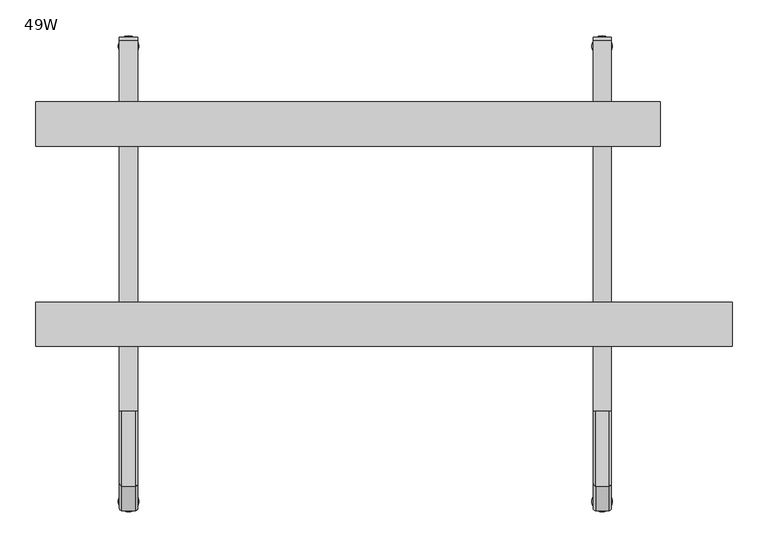
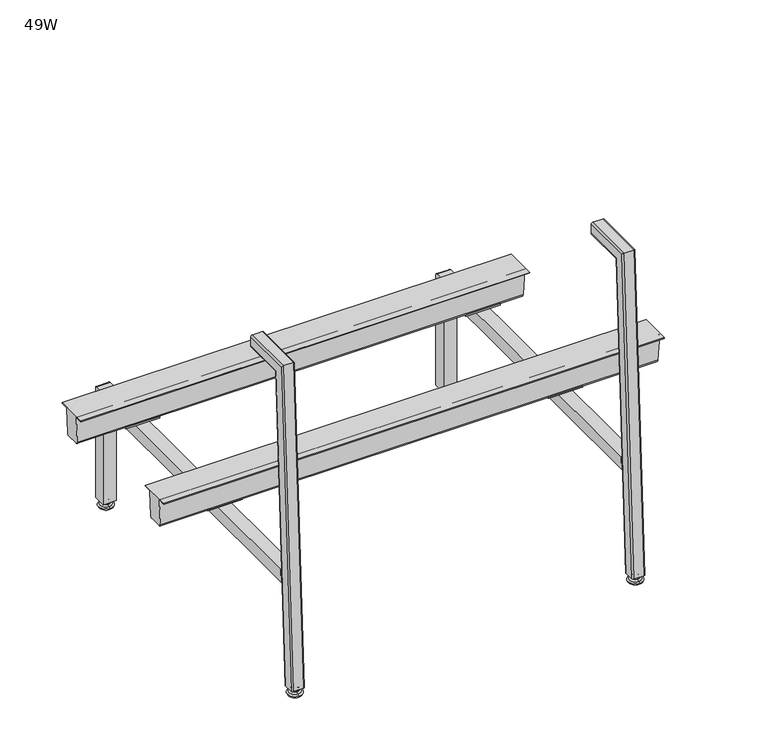
"""IFC4 building model written with IfcOpenShell, lengths in millimetres: furniture geometry, 49W."""

from ifc_helpers import new_model, si_unit, point, frame, frame_2d, origin, place, context, project, spatial, polyline, circle_curve, ellipse_curve, trimmed, segment, composite_curve, outline, extrude, source, transform, mapped, element, save
from ifc_brep_helpers import plane_surface, cylinder_surface, revolved_surface, advanced_brep


def furniture_49w_e7950ca3(model_context):
    return source(origin(), model_context, "Body", "SolidModel", [
        advanced_brep(
        [(889.0, 645.9431587, 14.8752118), (889.0, 649.2548643, 14.8752118), (889.0, 652.5665699, 14.8752118), (889.0, 645.3562211, 13.858606), (889.0, 653.1535076, 13.858606), (889.0, 641.3242474, 11.2402116), (889.0, 657.1854813, 11.2402116), (889.0, 641.3242474, 8.74896), (889.0, 657.1854813, 8.74896), (889.0, 642.9059165, 8.74896), (889.0, 655.6038121, 8.74896), (889.0, 638.0462975, 5.9432577), (889.0, 660.4634312, 5.9432577), (889.0, 634.8556417, 3.5556814), (889.0, 663.6540869, 3.5556814), (889.0, 636.908533, 0.0), (889.0, 661.6011957, 0.0), (889.0, 649.2548643, 0.0)],
        [
            (0, 1),
            (1, 2),
            (2, 0, circle_curve(frame((889.0, 649.2548643, 14.8752118), z_axis=(0.0, 0.0, 1.0), x_axis=(0.0, 1.0, 0.0)), 3.3117056)),
            (0, 2, circle_curve(frame((889.0, 649.2548643, 14.8752118), z_axis=(0.0, 0.0, 1.0), x_axis=(0.0, 1.0, 0.0)), 3.3117056)),
            (3, 0),
            (2, 4),
            (4, 3, circle_curve(frame((889.0, 649.2548643, 13.858606), z_axis=(0.0, 0.0, 1.0), x_axis=(0.0, 1.0, 0.0)), 3.8986433)),
            (3, 4, circle_curve(frame((889.0, 649.2548643, 13.858606), z_axis=(0.0, 0.0, 1.0), x_axis=(0.0, 1.0, 0.0)), 3.8986433)),
            (5, 3),
            (4, 6),
            (6, 5, circle_curve(frame((889.0, 649.2548643, 11.2402116), z_axis=(0.0, 0.0, 1.0), x_axis=(0.0, 1.0, 0.0)), 7.930617)),
            (5, 6, circle_curve(frame((889.0, 649.2548643, 11.2402116), z_axis=(0.0, 0.0, 1.0), x_axis=(0.0, 1.0, 0.0)), 7.930617)),
            (7, 5),
            (6, 8),
            (8, 7, circle_curve(frame((889.0, 649.2548643, 8.74896), z_axis=(0.0, 0.0, 1.0), x_axis=(0.0, 1.0, 0.0)), 7.930617)),
            (7, 8, circle_curve(frame((889.0, 649.2548643, 8.74896), z_axis=(0.0, 0.0, 1.0), x_axis=(0.0, 1.0, 0.0)), 7.930617)),
            (9, 7),
            (8, 10),
            (10, 9, circle_curve(frame((889.0, 649.2548643, 8.74896), z_axis=(0.0, 0.0, 1.0), x_axis=(0.0, 1.0, 0.0)), 6.3489478)),
            (9, 10, circle_curve(frame((889.0, 649.2548643, 8.74896), z_axis=(0.0, 0.0, 1.0), x_axis=(0.0, 1.0, 0.0)), 6.3489478)),
            (11, 9, circle_curve(frame((889.0, 638.3936715, 10.9529929), z_axis=(1.0, 0.0, 0.0), x_axis=(0.0, -1.0, 0.0)), 5.0217642)),
            (10, 12, circle_curve(frame((889.0, 660.1160571, 10.9529929), z_axis=(1.0, 0.0, 0.0), x_axis=(0.0, 1.0, 0.0)), 5.0217642)),
            (12, 11, circle_curve(frame((889.0, 649.2548643, 5.9432577), z_axis=(0.0, 0.0, 1.0), x_axis=(0.0, 1.0, 0.0)), 11.2085669)),
            (11, 12, circle_curve(frame((889.0, 649.2548643, 5.9432577), z_axis=(0.0, 0.0, 1.0), x_axis=(0.0, 1.0, 0.0)), 11.2085669)),
            (13, 11, circle_curve(frame((889.0, 637.8352492, 2.8995769), z_axis=(-1.0, 0.0, 0.0), x_axis=(0.0, -1.0, 0.0)), 3.050989)),
            (12, 14, circle_curve(frame((889.0, 660.6744794, 2.8995769), z_axis=(-1.0, 0.0, 0.0), x_axis=(0.0, 1.0, 0.0)), 3.050989)),
            (14, 13, circle_curve(frame((889.0, 649.2548643, 3.5556814), z_axis=(0.0, 0.0, 1.0), x_axis=(0.0, 1.0, 0.0)), 14.3992226)),
            (13, 14, circle_curve(frame((889.0, 649.2548643, 3.5556814), z_axis=(0.0, 0.0, 1.0), x_axis=(0.0, 1.0, 0.0)), 14.3992226)),
            (15, 13),
            (14, 16),
            (16, 15, circle_curve(frame((889.0, 649.2548643, 0.0), z_axis=(0.0, 0.0, 1.0), x_axis=(0.0, 1.0, 0.0)), 12.3463313)),
            (15, 16, circle_curve(frame((889.0, 649.2548643, 0.0), z_axis=(0.0, 0.0, 1.0), x_axis=(0.0, 1.0, 0.0)), 12.3463313)),
            (17, 15),
            (16, 17),
        ],
        [
            plane_surface(frame((889.0, 649.2548643, 14.8752118), z_axis=(0.0, 0.0, 1.0), x_axis=(0.0, 1.0, 0.0))),
            revolved_surface(polyline([(889.0, 652.5665699, 14.8752118), (889.0, 653.1535076, 13.858606)]), (889.0, 649.2548643, 0.0), (0.0, 0.0, -1.0)),
            revolved_surface(polyline([(889.0, 653.1535076, 13.858606), (889.0, 657.1854813, 11.2402116)]), (889.0, 649.2548643, 0.0), (0.0, 0.0, -1.0)),
            cylinder_surface(frame((889.0, 649.2548643, 0.0), z_axis=(0.0, 0.0, -1.0), x_axis=(0.0, 1.0, 0.0)), 7.930617),
            plane_surface(frame((889.0, 649.2548643, 8.74896), z_axis=(0.0, 0.0, -1.0), x_axis=(0.0, 1.0, 0.0))),
            revolved_surface(trimmed(ellipse_curve(frame((889.0, 660.1160571, 10.9529929), z_axis=(1.0, 0.0, 0.0), x_axis=(0.0, 1.0, 0.0)), 5.0217642, 5.0217642), [point((889.0, 655.6038121, 8.74896))], [point((889.0, 660.4634312, 5.9432577))], True, "CARTESIAN"), (889.0, 649.2548643, 0.0), (0.0, 0.0, -1.0)),
            revolved_surface(trimmed(ellipse_curve(frame((889.0, 660.6744794, 2.8995769), z_axis=(-1.0, 0.0, 0.0), x_axis=(0.0, 1.0, 0.0)), 3.050989, 3.050989), [point((889.0, 660.4634312, 5.9432577))], [point((889.0, 663.6540869, 3.5556814))], True, "CARTESIAN"), (889.0, 649.2548643, 0.0), (0.0, 0.0, -1.0)),
            revolved_surface(polyline([(889.0, 663.6540869, 3.5556814), (889.0, 661.6011957, 0.0)]), (889.0, 649.2548643, 0.0), (0.0, 0.0, -1.0)),
            plane_surface(frame((889.0, 649.2548643, 0.0), z_axis=(0.0, 0.0, -1.0), x_axis=(0.0, 1.0, 0.0))),
        ],
        [
            (0, [[1, 2, 3]]),
            (0, [[-2, -1, 4]]),
            (1, [[5, -3, 6, 7]]),
            (1, [[-6, -4, -5, 8]]),
            (2, [[9, -7, 10, 11]]),
            (2, [[-10, -8, -9, 12]]),
            (3, [[13, -11, 14, 15]]),
            (3, [[-14, -12, -13, 16]]),
            (4, [[17, -15, 18, 19]]),
            (4, [[-18, -16, -17, 20]]),
            (5, [[21, -19, 22, 23]]),
            (5, [[-22, -20, -21, 24]]),
            (6, [[25, -23, 26, 27]]),
            (6, [[-26, -24, -25, 28]]),
            (7, [[29, -27, 30, 31]]),
            (7, [[-30, -28, -29, 32]]),
            (8, [[33, -31, 34]]),
            (8, [[-34, -32, -33]]),
        ],
    ),
        advanced_brep(
        [(889.0, 14.3992226, 14.8752118), (889.0, 17.7109282, 14.8752118), (889.0, 11.087517, 14.8752118), (889.0, 18.2978659, 13.858606), (889.0, 10.5005793, 13.858606), (889.0, 22.3298395, 11.2402116), (889.0, 6.4686056, 11.2402116), (889.0, 22.3298395, 8.74896), (889.0, 6.4686056, 8.74896), (889.0, 20.7481704, 8.74896), (889.0, 8.0502748, 8.74896), (889.0, 25.6077895, 5.9432577), (889.0, 3.1906557, 5.9432577), (889.0, 28.7984452, 3.5556814), (889.0, 0.0, 3.5556814), (889.0, 26.7455539, 0.0), (889.0, 2.0528912, 0.0), (889.0, 14.3992226, 0.0)],
        [
            (0, 1),
            (1, 2, circle_curve(frame((889.0, 14.3992226, 14.8752118), z_axis=(0.0, 0.0, 1.0), x_axis=(0.0, -1.0, 0.0)), 3.3117056)),
            (2, 0),
            (2, 1, circle_curve(frame((889.0, 14.3992226, 14.8752118), z_axis=(0.0, 0.0, 1.0), x_axis=(0.0, -1.0, 0.0)), 3.3117056)),
            (1, 3),
            (3, 4, circle_curve(frame((889.0, 14.3992226, 13.858606), z_axis=(0.0, 0.0, 1.0), x_axis=(0.0, -1.0, 0.0)), 3.8986433)),
            (4, 2),
            (4, 3, circle_curve(frame((889.0, 14.3992226, 13.858606), z_axis=(0.0, 0.0, 1.0), x_axis=(0.0, -1.0, 0.0)), 3.8986433)),
            (3, 5),
            (5, 6, circle_curve(frame((889.0, 14.3992226, 11.2402116), z_axis=(0.0, 0.0, 1.0), x_axis=(0.0, -1.0, 0.0)), 7.930617)),
            (6, 4),
            (6, 5, circle_curve(frame((889.0, 14.3992226, 11.2402116), z_axis=(0.0, 0.0, 1.0), x_axis=(0.0, -1.0, 0.0)), 7.930617)),
            (5, 7),
            (7, 8, circle_curve(frame((889.0, 14.3992226, 8.74896), z_axis=(0.0, 0.0, 1.0), x_axis=(0.0, -1.0, 0.0)), 7.930617)),
            (8, 6),
            (8, 7, circle_curve(frame((889.0, 14.3992226, 8.74896), z_axis=(0.0, 0.0, 1.0), x_axis=(0.0, -1.0, 0.0)), 7.930617)),
            (7, 9),
            (9, 10, circle_curve(frame((889.0, 14.3992226, 8.74896), z_axis=(0.0, 0.0, 1.0), x_axis=(0.0, -1.0, 0.0)), 6.3489478)),
            (10, 8),
            (10, 9, circle_curve(frame((889.0, 14.3992226, 8.74896), z_axis=(0.0, 0.0, 1.0), x_axis=(0.0, -1.0, 0.0)), 6.3489478)),
            (9, 11, circle_curve(frame((889.0, 25.2604154, 10.9529929), z_axis=(1.0, 0.0, 0.0), x_axis=(0.0, -1.0, 0.0)), 5.0217642)),
            (11, 12, circle_curve(frame((889.0, 14.3992226, 5.9432577), z_axis=(0.0, 0.0, 1.0), x_axis=(0.0, -1.0, 0.0)), 11.2085669)),
            (12, 10, circle_curve(frame((889.0, 3.5380298, 10.9529929), z_axis=(1.0, 0.0, 0.0), x_axis=(0.0, 1.0, 0.0)), 5.0217642)),
            (12, 11, circle_curve(frame((889.0, 14.3992226, 5.9432577), z_axis=(0.0, 0.0, 1.0), x_axis=(0.0, -1.0, 0.0)), 11.2085669)),
            (11, 13, circle_curve(frame((889.0, 25.8188377, 2.8995769), z_axis=(-1.0, 0.0, 0.0), x_axis=(0.0, -1.0, 0.0)), 3.050989)),
            (13, 14, circle_curve(frame((889.0, 14.3992226, 3.5556814), z_axis=(0.0, 0.0, 1.0), x_axis=(0.0, -1.0, 0.0)), 14.3992226)),
            (14, 12, circle_curve(frame((889.0, 2.9796075, 2.8995769), z_axis=(-1.0, 0.0, 0.0), x_axis=(0.0, 1.0, 0.0)), 3.050989)),
            (14, 13, circle_curve(frame((889.0, 14.3992226, 3.5556814), z_axis=(0.0, 0.0, 1.0), x_axis=(0.0, -1.0, 0.0)), 14.3992226)),
            (13, 15),
            (15, 16, circle_curve(frame((889.0, 14.3992226, 0.0), z_axis=(0.0, 0.0, 1.0), x_axis=(0.0, -1.0, 0.0)), 12.3463313)),
            (16, 14),
            (16, 15, circle_curve(frame((889.0, 14.3992226, 0.0), z_axis=(0.0, 0.0, 1.0), x_axis=(0.0, -1.0, 0.0)), 12.3463313)),
            (15, 17),
            (17, 16),
        ],
        [
            plane_surface(frame((889.0, 14.3992226, 14.8752118), z_axis=(0.0, 0.0, 1.0), x_axis=(0.0, -1.0, 0.0))),
            revolved_surface(polyline([(889.0, 10.5005793, 13.858606), (889.0, 11.087517, 14.8752118)]), (889.0, 14.3992226, 0.0), (0.0, 0.0, 1.0)),
            revolved_surface(polyline([(889.0, 6.4686056, 11.2402116), (889.0, 10.5005793, 13.858606)]), (889.0, 14.3992226, 0.0), (0.0, 0.0, 1.0)),
            cylinder_surface(frame((889.0, 14.3992226, 0.0), z_axis=(0.0, 0.0, 1.0), x_axis=(0.0, -1.0, 0.0)), 7.930617),
            plane_surface(frame((889.0, 14.3992226, 8.74896), z_axis=(0.0, 0.0, -1.0), x_axis=(0.0, -1.0, 0.0))),
            revolved_surface(trimmed(ellipse_curve(frame((889.0, 3.5380298, 10.9529929), z_axis=(1.0, 0.0, 0.0), x_axis=(0.0, 1.0, 0.0)), 5.0217642, 5.0217642), [point((889.0, 3.1906557, 5.9432577))], [point((889.0, 8.0502748, 8.74896))], True, "CARTESIAN"), (889.0, 14.3992226, 0.0), (0.0, 0.0, 1.0)),
            revolved_surface(trimmed(ellipse_curve(frame((889.0, 2.9796075, 2.8995769), z_axis=(-1.0, 0.0, 0.0), x_axis=(0.0, 1.0, 0.0)), 3.050989, 3.050989), [point((889.0, 0.0, 3.5556814))], [point((889.0, 3.1906557, 5.9432577))], True, "CARTESIAN"), (889.0, 14.3992226, 0.0), (0.0, 0.0, 1.0)),
            revolved_surface(polyline([(889.0, 2.0528912, 0.0), (889.0, 0.0, 3.5556814)]), (889.0, 14.3992226, 0.0), (0.0, 0.0, 1.0)),
            plane_surface(frame((889.0, 14.3992226, 0.0), z_axis=(0.0, 0.0, -1.0), x_axis=(0.0, -1.0, 0.0))),
        ],
        [
            (0, [[1, 2, 3]]),
            (0, [[-3, 4, -1]]),
            (1, [[5, 6, 7, -2]]),
            (1, [[-7, 8, -5, -4]]),
            (2, [[9, 10, 11, -6]]),
            (2, [[-11, 12, -9, -8]]),
            (3, [[13, 14, 15, -10]]),
            (3, [[-15, 16, -13, -12]]),
            (4, [[17, 18, 19, -14]]),
            (4, [[-19, 20, -17, -16]]),
            (5, [[21, 22, 23, -18]]),
            (5, [[-23, 24, -21, -20]]),
            (6, [[25, 26, 27, -22]]),
            (6, [[-27, 28, -25, -24]]),
            (7, [[29, 30, 31, -26]]),
            (7, [[-31, 32, -29, -28]]),
            (8, [[33, 34, -30]]),
            (8, [[-34, -33, -32]]),
        ],
    ),
        advanced_brep(
        [(228.6, 649.2548643, 14.8752118), (228.6, 645.9431587, 14.8752118), (228.6, 652.5665699, 14.8752118), (228.6, 645.3562211, 13.858606), (228.6, 653.1535076, 13.858606), (228.6, 641.3242474, 11.2402116), (228.6, 657.1854813, 11.2402116), (228.6, 641.3242474, 8.74896), (228.6, 657.1854813, 8.74896), (228.6, 642.9059165, 8.74896), (228.6, 655.6038121, 8.74896), (228.6, 638.0462975, 5.9432577), (228.6, 660.4634312, 5.9432577), (228.6, 634.8556417, 3.5556814), (228.6, 663.6540869, 3.5556814), (228.6, 636.908533, 0.0), (228.6, 661.6011957, 0.0), (228.6, 649.2548643, 0.0)],
        [
            (0, 1),
            (1, 2, circle_curve(frame((228.6, 649.2548643, 14.8752118), z_axis=(0.0, 0.0, 1.0), x_axis=(0.0, 1.0, 0.0)), 3.3117056)),
            (2, 0),
            (2, 1, circle_curve(frame((228.6, 649.2548643, 14.8752118), z_axis=(0.0, 0.0, 1.0), x_axis=(0.0, 1.0, 0.0)), 3.3117056)),
            (1, 3),
            (3, 4, circle_curve(frame((228.6, 649.2548643, 13.858606), z_axis=(0.0, 0.0, 1.0), x_axis=(0.0, 1.0, 0.0)), 3.8986433)),
            (4, 2),
            (4, 3, circle_curve(frame((228.6, 649.2548643, 13.858606), z_axis=(0.0, 0.0, 1.0), x_axis=(0.0, 1.0, 0.0)), 3.8986433)),
            (3, 5),
            (5, 6, circle_curve(frame((228.6, 649.2548643, 11.2402116), z_axis=(0.0, 0.0, 1.0), x_axis=(0.0, 1.0, 0.0)), 7.930617)),
            (6, 4),
            (6, 5, circle_curve(frame((228.6, 649.2548643, 11.2402116), z_axis=(0.0, 0.0, 1.0), x_axis=(0.0, 1.0, 0.0)), 7.930617)),
            (5, 7),
            (7, 8, circle_curve(frame((228.6, 649.2548643, 8.74896), z_axis=(0.0, 0.0, 1.0), x_axis=(0.0, 1.0, 0.0)), 7.930617)),
            (8, 6),
            (8, 7, circle_curve(frame((228.6, 649.2548643, 8.74896), z_axis=(0.0, 0.0, 1.0), x_axis=(0.0, 1.0, 0.0)), 7.930617)),
            (7, 9),
            (9, 10, circle_curve(frame((228.6, 649.2548643, 8.74896), z_axis=(0.0, 0.0, 1.0), x_axis=(0.0, 1.0, 0.0)), 6.3489478)),
            (10, 8),
            (10, 9, circle_curve(frame((228.6, 649.2548643, 8.74896), z_axis=(0.0, 0.0, 1.0), x_axis=(0.0, 1.0, 0.0)), 6.3489478)),
            (9, 11, circle_curve(frame((228.6, 638.3936715, 10.9529929), z_axis=(-1.0, 0.0, 0.0), x_axis=(0.0, 1.0, 0.0)), 5.0217642)),
            (11, 12, circle_curve(frame((228.6, 649.2548643, 5.9432577), z_axis=(0.0, 0.0, 1.0), x_axis=(0.0, 1.0, 0.0)), 11.2085669)),
            (12, 10, circle_curve(frame((228.6, 660.1160571, 10.9529929), z_axis=(-1.0, 0.0, 0.0), x_axis=(0.0, -1.0, 0.0)), 5.0217642)),
            (12, 11, circle_curve(frame((228.6, 649.2548643, 5.9432577), z_axis=(0.0, 0.0, 1.0), x_axis=(0.0, 1.0, 0.0)), 11.2085669)),
            (11, 13, circle_curve(frame((228.6, 637.8352492, 2.8995769), z_axis=(1.0, 0.0, 0.0), x_axis=(0.0, 1.0, 0.0)), 3.050989)),
            (13, 14, circle_curve(frame((228.6, 649.2548643, 3.5556814), z_axis=(0.0, 0.0, 1.0), x_axis=(0.0, 1.0, 0.0)), 14.3992226)),
            (14, 12, circle_curve(frame((228.6, 660.6744794, 2.8995769), z_axis=(1.0, 0.0, 0.0), x_axis=(0.0, -1.0, 0.0)), 3.050989)),
            (14, 13, circle_curve(frame((228.6, 649.2548643, 3.5556814), z_axis=(0.0, 0.0, 1.0), x_axis=(0.0, 1.0, 0.0)), 14.3992226)),
            (13, 15),
            (15, 16, circle_curve(frame((228.6, 649.2548643, 0.0), z_axis=(0.0, 0.0, 1.0), x_axis=(0.0, 1.0, 0.0)), 12.3463313)),
            (16, 14),
            (16, 15, circle_curve(frame((228.6, 649.2548643, 0.0), z_axis=(0.0, 0.0, 1.0), x_axis=(0.0, 1.0, 0.0)), 12.3463313)),
            (15, 17),
            (17, 16),
        ],
        [
            plane_surface(frame((228.6, 649.2548643, 14.8752118), z_axis=(0.0, 0.0, 1.0), x_axis=(0.0, 1.0, 0.0))),
            revolved_surface(polyline([(228.6, 653.1535076, 13.858606), (228.6, 652.5665699, 14.8752118)]), (228.6, 649.2548643, 0.0), (0.0, 0.0, 1.0)),
            revolved_surface(polyline([(228.6, 657.1854813, 11.2402116), (228.6, 653.1535076, 13.858606)]), (228.6, 649.2548643, 0.0), (0.0, 0.0, 1.0)),
            cylinder_surface(frame((228.6, 649.2548643, 0.0), z_axis=(0.0, 0.0, 1.0), x_axis=(0.0, 1.0, 0.0)), 7.930617),
            plane_surface(frame((228.6, 649.2548643, 8.74896), z_axis=(0.0, 0.0, -1.0), x_axis=(0.0, 1.0, 0.0))),
            revolved_surface(trimmed(ellipse_curve(frame((228.6, 660.1160571, 10.9529929), z_axis=(-1.0, 0.0, 0.0), x_axis=(0.0, -1.0, 0.0)), 5.0217642, 5.0217642), [point((228.6, 660.4634312, 5.9432577))], [point((228.6, 655.6038121, 8.74896))], True, "CARTESIAN"), (228.6, 649.2548643, 0.0), (0.0, 0.0, 1.0)),
            revolved_surface(trimmed(ellipse_curve(frame((228.6, 660.6744794, 2.8995769), z_axis=(1.0, 0.0, 0.0), x_axis=(0.0, -1.0, 0.0)), 3.050989, 3.050989), [point((228.6, 663.6540869, 3.5556814))], [point((228.6, 660.4634312, 5.9432577))], True, "CARTESIAN"), (228.6, 649.2548643, 0.0), (0.0, 0.0, 1.0)),
            revolved_surface(polyline([(228.6, 661.6011957, 0.0), (228.6, 663.6540869, 3.5556814)]), (228.6, 649.2548643, 0.0), (0.0, 0.0, 1.0)),
            plane_surface(frame((228.6, 649.2548643, 0.0), z_axis=(0.0, 0.0, -1.0), x_axis=(0.0, 1.0, 0.0))),
        ],
        [
            (0, [[1, 2, 3]]),
            (0, [[-3, 4, -1]]),
            (1, [[5, 6, 7, -2]]),
            (1, [[-7, 8, -5, -4]]),
            (2, [[9, 10, 11, -6]]),
            (2, [[-11, 12, -9, -8]]),
            (3, [[13, 14, 15, -10]]),
            (3, [[-15, 16, -13, -12]]),
            (4, [[17, 18, 19, -14]]),
            (4, [[-19, 20, -17, -16]]),
            (5, [[21, 22, 23, -18]]),
            (5, [[-23, 24, -21, -20]]),
            (6, [[25, 26, 27, -22]]),
            (6, [[-27, 28, -25, -24]]),
            (7, [[29, 30, 31, -26]]),
            (7, [[-31, 32, -29, -28]]),
            (8, [[33, 34, -30]]),
            (8, [[-34, -33, -32]]),
        ],
    ),
        advanced_brep(
        [(228.6, 17.7109282, 14.8752118), (228.6, 14.3992226, 14.8752118), (228.6, 11.087517, 14.8752118), (228.6, 18.2978659, 13.858606), (228.6, 10.5005793, 13.858606), (228.6, 22.3298395, 11.2402116), (228.6, 6.4686056, 11.2402116), (228.6, 22.3298395, 8.74896), (228.6, 6.4686056, 8.74896), (228.6, 20.7481704, 8.74896), (228.6, 8.0502748, 8.74896), (228.6, 25.6077895, 5.9432577), (228.6, 3.1906557, 5.9432577), (228.6, 28.7984452, 3.5556814), (228.6, 0.0, 3.5556814), (228.6, 26.7455539, 0.0), (228.6, 2.0528912, 0.0), (228.6, 14.3992226, 0.0)],
        [
            (0, 1),
            (1, 2),
            (2, 0, circle_curve(frame((228.6, 14.3992226, 14.8752118), z_axis=(0.0, 0.0, 1.0), x_axis=(0.0, -1.0, 0.0)), 3.3117056)),
            (0, 2, circle_curve(frame((228.6, 14.3992226, 14.8752118), z_axis=(0.0, 0.0, 1.0), x_axis=(0.0, -1.0, 0.0)), 3.3117056)),
            (3, 0),
            (2, 4),
            (4, 3, circle_curve(frame((228.6, 14.3992226, 13.858606), z_axis=(0.0, 0.0, 1.0), x_axis=(0.0, -1.0, 0.0)), 3.8986433)),
            (3, 4, circle_curve(frame((228.6, 14.3992226, 13.858606), z_axis=(0.0, 0.0, 1.0), x_axis=(0.0, -1.0, 0.0)), 3.8986433)),
            (5, 3),
            (4, 6),
            (6, 5, circle_curve(frame((228.6, 14.3992226, 11.2402116), z_axis=(0.0, 0.0, 1.0), x_axis=(0.0, -1.0, 0.0)), 7.930617)),
            (5, 6, circle_curve(frame((228.6, 14.3992226, 11.2402116), z_axis=(0.0, 0.0, 1.0), x_axis=(0.0, -1.0, 0.0)), 7.930617)),
            (7, 5),
            (6, 8),
            (8, 7, circle_curve(frame((228.6, 14.3992226, 8.74896), z_axis=(0.0, 0.0, 1.0), x_axis=(0.0, -1.0, 0.0)), 7.930617)),
            (7, 8, circle_curve(frame((228.6, 14.3992226, 8.74896), z_axis=(0.0, 0.0, 1.0), x_axis=(0.0, -1.0, 0.0)), 7.930617)),
            (9, 7),
            (8, 10),
            (10, 9, circle_curve(frame((228.6, 14.3992226, 8.74896), z_axis=(0.0, 0.0, 1.0), x_axis=(0.0, -1.0, 0.0)), 6.3489478)),
            (9, 10, circle_curve(frame((228.6, 14.3992226, 8.74896), z_axis=(0.0, 0.0, 1.0), x_axis=(0.0, -1.0, 0.0)), 6.3489478)),
            (11, 9, circle_curve(frame((228.6, 25.2604154, 10.9529929), z_axis=(-1.0, 0.0, 0.0), x_axis=(0.0, -1.0, 0.0)), 5.0217642)),
            (10, 12, circle_curve(frame((228.6, 3.5380298, 10.9529929), z_axis=(-1.0, 0.0, 0.0), x_axis=(0.0, 1.0, 0.0)), 5.0217642)),
            (12, 11, circle_curve(frame((228.6, 14.3992226, 5.9432577), z_axis=(0.0, 0.0, 1.0), x_axis=(0.0, -1.0, 0.0)), 11.2085669)),
            (11, 12, circle_curve(frame((228.6, 14.3992226, 5.9432577), z_axis=(0.0, 0.0, 1.0), x_axis=(0.0, -1.0, 0.0)), 11.2085669)),
            (13, 11, circle_curve(frame((228.6, 25.8188377, 2.8995769), z_axis=(1.0, 0.0, 0.0), x_axis=(0.0, -1.0, 0.0)), 3.050989)),
            (12, 14, circle_curve(frame((228.6, 2.9796075, 2.8995769), z_axis=(1.0, 0.0, 0.0), x_axis=(0.0, 1.0, 0.0)), 3.050989)),
            (14, 13, circle_curve(frame((228.6, 14.3992226, 3.5556814), z_axis=(0.0, 0.0, 1.0), x_axis=(0.0, -1.0, 0.0)), 14.3992226)),
            (13, 14, circle_curve(frame((228.6, 14.3992226, 3.5556814), z_axis=(0.0, 0.0, 1.0), x_axis=(0.0, -1.0, 0.0)), 14.3992226)),
            (15, 13),
            (14, 16),
            (16, 15, circle_curve(frame((228.6, 14.3992226, 0.0), z_axis=(0.0, 0.0, 1.0), x_axis=(0.0, -1.0, 0.0)), 12.3463313)),
            (15, 16, circle_curve(frame((228.6, 14.3992226, 0.0), z_axis=(0.0, 0.0, 1.0), x_axis=(0.0, -1.0, 0.0)), 12.3463313)),
            (17, 15),
            (16, 17),
        ],
        [
            plane_surface(frame((228.6, 14.3992226, 14.8752118), z_axis=(0.0, 0.0, 1.0), x_axis=(0.0, -1.0, 0.0))),
            revolved_surface(polyline([(228.6, 11.087517, 14.8752118), (228.6, 10.5005793, 13.858606)]), (228.6, 14.3992226, 0.0), (0.0, 0.0, -1.0)),
            revolved_surface(polyline([(228.6, 10.5005793, 13.858606), (228.6, 6.4686056, 11.2402116)]), (228.6, 14.3992226, 0.0), (0.0, 0.0, -1.0)),
            cylinder_surface(frame((228.6, 14.3992226, 0.0), z_axis=(0.0, 0.0, -1.0), x_axis=(0.0, -1.0, 0.0)), 7.930617),
            plane_surface(frame((228.6, 14.3992226, 8.74896), z_axis=(0.0, 0.0, -1.0), x_axis=(0.0, -1.0, 0.0))),
            revolved_surface(trimmed(ellipse_curve(frame((228.6, 3.5380298, 10.9529929), z_axis=(-1.0, 0.0, 0.0), x_axis=(0.0, 1.0, 0.0)), 5.0217642, 5.0217642), [point((228.6, 8.0502748, 8.74896))], [point((228.6, 3.1906557, 5.9432577))], True, "CARTESIAN"), (228.6, 14.3992226, 0.0), (0.0, 0.0, -1.0)),
            revolved_surface(trimmed(ellipse_curve(frame((228.6, 2.9796075, 2.8995769), z_axis=(1.0, 0.0, 0.0), x_axis=(0.0, 1.0, 0.0)), 3.050989, 3.050989), [point((228.6, 3.1906557, 5.9432577))], [point((228.6, 0.0, 3.5556814))], True, "CARTESIAN"), (228.6, 14.3992226, 0.0), (0.0, 0.0, -1.0)),
            revolved_surface(polyline([(228.6, 0.0, 3.5556814), (228.6, 2.0528912, 0.0)]), (228.6, 14.3992226, 0.0), (0.0, 0.0, -1.0)),
            plane_surface(frame((228.6, 14.3992226, 0.0), z_axis=(0.0, 0.0, -1.0), x_axis=(0.0, -1.0, 0.0))),
        ],
        [
            (0, [[1, 2, 3]]),
            (0, [[-2, -1, 4]]),
            (1, [[5, -3, 6, 7]]),
            (1, [[-6, -4, -5, 8]]),
            (2, [[9, -7, 10, 11]]),
            (2, [[-10, -8, -9, 12]]),
            (3, [[13, -11, 14, 15]]),
            (3, [[-14, -12, -13, 16]]),
            (4, [[17, -15, 18, 19]]),
            (4, [[-18, -16, -17, 20]]),
            (5, [[21, -19, 22, 23]]),
            (5, [[-22, -20, -21, 24]]),
            (6, [[25, -23, 26, 27]]),
            (6, [[-26, -24, -25, 28]]),
            (7, [[29, -27, 30, 31]]),
            (7, [[-30, -28, -29, 32]]),
            (8, [[33, -31, 34]]),
            (8, [[-34, -32, -33]]),
        ],
    ),
        advanced_brep(
        [(1070.2369679, 230.7462837, 302.386969), (1070.3701866, 230.7462837, 304.2920853), (99.246985, 230.7462837, 304.2920853), (99.3135131, 230.7462837, 302.386969), (1070.3701866, 292.4154368, 304.2920853), (99.246985, 292.4154368, 304.2920853), (1070.2369679, 292.4154368, 302.386969), (99.3135131, 292.4154368, 302.386969), (1070.2369679, 278.2027199, 302.386969), (99.3135131, 278.2027199, 302.386969), (1070.1720583, 277.2744696, 301.4587187), (99.3459283, 277.2744696, 301.4587187), (1066.5883415, 277.2744696, 250.2091797), (101.1356016, 277.2744696, 250.2091797), (1066.3297866, 273.576963, 246.5116732), (101.2647214, 273.576963, 246.5116732), (1066.3297866, 249.7778777, 246.5116732), (101.2647214, 249.7778777, 246.5116732), (1066.5984822, 245.9353512, 250.3541997), (101.1305374, 245.9353512, 250.3541997), (1070.1659223, 245.9353512, 301.370969), (99.3489926, 245.9353512, 301.370969), (1070.2369679, 244.9193512, 302.386969), (99.3135131, 244.9193512, 302.386969)],
        [
            (0, 1),
            (1, 2),
            (2, 3),
            (3, 0),
            (1, 4),
            (4, 5),
            (5, 2),
            (4, 6),
            (6, 7),
            (7, 5),
            (6, 8),
            (8, 9),
            (9, 7),
            (8, 10, ellipse_curve(frame((1070.1720583, 278.2027199, 301.4587187), z_axis=(0.9975640502598248, 0.0, -0.06975647374411835), x_axis=(-0.06975647374411759, 0.0, -0.9975640502598248)), 0.930517, 0.9282503)),
            (10, 11),
            (11, 9, ellipse_curve(frame((99.3459283, 278.2027199, 301.4587187), z_axis=(-0.9993908270190957, 0.0, -0.03489949670250283), x_axis=(-0.03489949670250301, 0.0, 0.9993908270190957)), 0.9288161, 0.9282503)),
            (10, 12),
            (12, 13),
            (13, 11),
            (12, 14, ellipse_curve(frame((1066.5883415, 273.576963, 250.2091797), z_axis=(-0.9975640502598248, 0.0, 0.06975647374411835), x_axis=(0.06975647374411759, 0.0, 0.9975640502598248)), 3.7065355, 3.6975066)),
            (14, 15),
            (15, 13, ellipse_curve(frame((101.1356016, 273.576963, 250.2091797), z_axis=(0.9993908270190957, 0.0, 0.03489949670250283), x_axis=(0.03489949670250301, 0.0, -0.9993908270190957)), 3.6997604, 3.6975066)),
            (14, 16),
            (16, 17),
            (17, 15),
            (16, 18, ellipse_curve(frame((1066.5984822, 249.7778777, 250.3541997), z_axis=(-0.9975640502598248, 0.0, 0.06975647374411835), x_axis=(0.06975647374411759, 0.0, 0.9975640502598248)), 3.8519096, 3.8425266)),
            (18, 19),
            (19, 17, ellipse_curve(frame((101.1305374, 249.7778777, 250.3541997), z_axis=(0.9993908270190957, 0.0, 0.03489949670250283), x_axis=(0.03489949670250301, 0.0, -0.9993908270190957)), 3.8448687, 3.8425266)),
            (18, 20),
            (20, 21),
            (21, 19),
            (20, 22, ellipse_curve(frame((1070.1659223, 244.9193512, 301.370969), z_axis=(0.9975640502598248, 0.0, -0.06975647374411835), x_axis=(-0.06975647374411759, 0.0, -0.9975640502598248)), 1.018481, 1.016)),
            (22, 23),
            (23, 21, ellipse_curve(frame((99.3489926, 244.9193512, 301.370969), z_axis=(-0.9993908270190957, 0.0, -0.03489949670250283), x_axis=(-0.03489949670250301, 0.0, 0.9993908270190957)), 1.0166193, 1.016)),
            (3, 23),
            (22, 0),
        ],
        [
            plane_surface(frame((1104.9, 230.7462837, 302.386969), z_axis=(0.0, -1.0, 0.0), x_axis=(-1.0, 0.0, 0.0))),
            plane_surface(frame((1104.9, 230.7462837, 304.2920853), z_axis=(0.0, 0.0, 1.0), x_axis=(-1.0, 0.0, 0.0))),
            plane_surface(frame((1104.9, 292.4154368, 304.2920853), z_axis=(0.0, 1.0, 0.0), x_axis=(-1.0, 0.0, 0.0))),
            plane_surface(frame((1104.9, 292.4154368, 302.386969), z_axis=(0.0, 0.0, -1.0), x_axis=(-1.0, 0.0, 0.0))),
            revolved_surface(polyline([(99.31351308558081, 279.1309702, 301.4587187), (1070.2369679, 279.1309702, 301.4587187)]), (69.85, 278.2027199, 301.4587187), (-1.0, 0.0, 0.0)),
            plane_surface(frame((1104.9, 277.2744696, 301.4587187), z_axis=(0.0, 1.0, 0.0), x_axis=(-1.0, 0.0, 0.0))),
            cylinder_surface(frame((69.85, 273.576963, 250.2091797), z_axis=(1.0, 0.0, 0.0), x_axis=(0.0, 1.0, 0.0)), 3.6975066),
            plane_surface(frame((1104.9, 273.576963, 246.5116732), z_axis=(0.0, 0.0, -1.0), x_axis=(-1.0, 0.0, 0.0))),
            cylinder_surface(frame((69.85, 249.7778777, 250.3541997), z_axis=(1.0, 0.0, 0.0), x_axis=(0.0, 1.0, 0.0)), 3.8425266),
            plane_surface(frame((1104.9, 245.9353512, 250.3541997), z_axis=(0.0, -1.0, 0.0), x_axis=(-1.0, 0.0, 0.0))),
            revolved_surface(polyline([(99.31351309809196, 245.93535119999999, 301.370969), (1070.2369679431351, 245.93535119999999, 301.370969)]), (69.85, 244.9193512, 301.370969), (-1.0, 0.0, 0.0)),
            plane_surface(frame((1104.9, 244.9193512, 302.386969), z_axis=(0.0, 0.0, -1.0), x_axis=(-1.0, 0.0, 0.0))),
            plane_surface(frame((99.246985, 115.8078763, 304.2920853), z_axis=(-0.9993908270190957, 0.0, -0.03489949670250283), x_axis=(0.0, 1.0, 0.0))),
            plane_surface(frame((1063.2863866, 115.8078763, 202.9890258), z_axis=(0.9975640502598248, 0.0, -0.06975647374411835), x_axis=(0.0, 1.0, 0.0))),
        ],
        [
            (0, [[1, 2, 3, 4]]),
            (1, [[5, 6, 7, -2]]),
            (2, [[8, 9, 10, -6]]),
            (3, [[11, 12, 13, -9]]),
            (4, [[14, 15, 16, -12]]),
            (5, [[17, 18, 19, -15]]),
            (6, [[20, 21, 22, -18]]),
            (7, [[23, 24, 25, -21]]),
            (8, [[26, 27, 28, -24]]),
            (9, [[29, 30, 31, -27]]),
            (10, [[32, 33, 34, -30]]),
            (11, [[35, -33, 36, -4]]),
            (12, [[-7, -10, -13, -16, -19, -22, -25, -28, -31, -34, -35, -3]]),
            (13, [[-36, -32, -29, -26, -23, -20, -17, -14, -11, -8, -5, -1]]),
        ],
    ),
        advanced_brep(
        [(99.3135131, 510.0447355, 302.386969), (969.8144439, 510.0447355, 302.386969), (969.9476626, 510.0447355, 304.2920853), (99.246985, 510.0447355, 304.2920853), (969.9476626, 571.7138886, 304.2920853), (99.246985, 571.7138886, 304.2920853), (969.8144439, 571.7138886, 302.386969), (99.3135131, 571.7138886, 302.386969), (969.8144439, 557.5011716, 302.386969), (99.3135131, 557.5011716, 302.386969), (969.7495343, 556.5729213, 301.4587187), (99.3459283, 556.5729213, 301.4587187), (966.1658175, 556.5729213, 250.2091797), (101.1356016, 556.5729213, 250.2091797), (965.9072626, 552.8754147, 246.5116732), (101.2647214, 552.8754147, 246.5116732), (965.9072626, 529.0763295, 246.5116732), (101.2647214, 529.0763295, 246.5116732), (966.1759582, 525.2338029, 250.3541997), (101.1305374, 525.2338029, 250.3541997), (969.7433983, 525.2338029, 301.370969), (99.3489926, 525.2338029, 301.370969), (969.8144439, 524.2178029, 302.386969), (99.3135131, 524.2178029, 302.386969)],
        [
            (0, 1),
            (1, 2),
            (2, 3),
            (3, 0),
            (2, 4),
            (4, 5),
            (5, 3),
            (4, 6),
            (6, 7),
            (7, 5),
            (6, 8),
            (8, 9),
            (9, 7),
            (8, 10, ellipse_curve(frame((969.7495343, 557.5011716, 301.4587187), z_axis=(0.9975640502598254, 0.0, -0.06975647374410987), x_axis=(-0.06975647374410697, 0.0, -0.9975640502598254)), 0.930517, 0.9282503)),
            (10, 11),
            (11, 9, ellipse_curve(frame((99.3459283, 557.5011716, 301.4587187), z_axis=(-0.9993908270190957, 0.0, -0.03489949670250283), x_axis=(-0.03489949670250301, 0.0, 0.9993908270190957)), 0.9288161, 0.9282503)),
            (10, 12),
            (12, 13),
            (13, 11),
            (12, 14, ellipse_curve(frame((966.1658175, 552.8754147, 250.2091797), z_axis=(-0.9975640502598254, 0.0, 0.06975647374410987), x_axis=(0.06975647374410697, 0.0, 0.9975640502598254)), 3.7065355, 3.6975066)),
            (14, 15),
            (15, 13, ellipse_curve(frame((101.1356016, 552.8754147, 250.2091797), z_axis=(0.9993908270190957, 0.0, 0.03489949670250283), x_axis=(0.03489949670250301, 0.0, -0.9993908270190957)), 3.6997604, 3.6975066)),
            (14, 16),
            (16, 17),
            (17, 15),
            (16, 18, ellipse_curve(frame((966.1759582, 529.0763295, 250.3541997), z_axis=(-0.9975640502598254, 0.0, 0.06975647374410987), x_axis=(0.06975647374410697, 0.0, 0.9975640502598254)), 3.8519096, 3.8425266)),
            (18, 19),
            (19, 17, ellipse_curve(frame((101.1305374, 529.0763295, 250.3541997), z_axis=(0.9993908270190957, 0.0, 0.03489949670250283), x_axis=(0.03489949670250301, 0.0, -0.9993908270190957)), 3.8448687, 3.8425266)),
            (18, 20),
            (20, 21),
            (21, 19),
            (20, 22, ellipse_curve(frame((969.7433983, 524.2178029, 301.370969), z_axis=(0.9975640502598254, 0.0, -0.06975647374410987), x_axis=(-0.06975647374410697, 0.0, -0.9975640502598254)), 1.018481, 1.016)),
            (22, 23),
            (23, 21, ellipse_curve(frame((99.3489926, 524.2178029, 301.370969), z_axis=(-0.9993908270190957, 0.0, -0.03489949670250283), x_axis=(-0.03489949670250301, 0.0, 0.9993908270190957)), 1.0166193, 1.016)),
            (22, 1),
            (0, 23),
        ],
        [
            plane_surface(frame((1104.9, 510.0447355, 302.386969), z_axis=(0.0, -1.0, 0.0), x_axis=(-1.0, 0.0, 0.0))),
            plane_surface(frame((1104.9, 510.0447355, 304.2920853), z_axis=(0.0, 0.0, 1.0), x_axis=(-1.0, 0.0, 0.0))),
            plane_surface(frame((1104.9, 571.7138886, 304.2920853), z_axis=(0.0, 1.0, 0.0), x_axis=(-1.0, 0.0, 0.0))),
            plane_surface(frame((1104.9, 571.7138886, 302.386969), z_axis=(0.0, 0.0, -1.0), x_axis=(-1.0, 0.0, 0.0))),
            revolved_surface(polyline([(99.31351308558078, 558.4294219, 301.4587187), (969.8144439, 558.4294219, 301.4587187)]), (622.3, 557.5011716, 301.4587187), (-1.0, 0.0, 0.0)),
            plane_surface(frame((1104.9, 556.5729213, 301.4587187), z_axis=(0.0, 1.0, 0.0), x_axis=(-1.0, 0.0, 0.0))),
            cylinder_surface(frame((622.3, 552.8754147, 250.2091797), z_axis=(1.0, 0.0, 0.0), x_axis=(0.0, 1.0, 0.0)), 3.6975066),
            plane_surface(frame((1104.9, 552.8754147, 246.5116732), z_axis=(0.0, 0.0, -1.0), x_axis=(-1.0, 0.0, 0.0))),
            cylinder_surface(frame((622.3, 529.0763295, 250.3541997), z_axis=(1.0, 0.0, 0.0), x_axis=(0.0, 1.0, 0.0)), 3.8425266),
            plane_surface(frame((1104.9, 525.2338029, 250.3541997), z_axis=(0.0, -1.0, 0.0), x_axis=(-1.0, 0.0, 0.0))),
            revolved_surface(polyline([(99.3135130980919, 525.2338029, 301.370969), (969.8144439431353, 525.2338029, 301.370969)]), (622.3, 524.2178029, 301.370969), (-1.0, 0.0, 0.0)),
            plane_surface(frame((1104.9, 524.2178029, 302.386969), z_axis=(0.0, 0.0, -1.0), x_axis=(-1.0, 0.0, 0.0))),
            plane_surface(frame((99.246985, 115.8078763, 304.2920853), z_axis=(-0.9993908270190957, 0.0, -0.03489949670250283), x_axis=(0.0, 1.0, 0.0))),
            plane_surface(frame((962.8638626, 382.8099024, 202.9890258), z_axis=(0.9975640502598254, 0.0, -0.06975647374410987), x_axis=(0.0, 1.0, 0.0))),
        ],
        [
            (0, [[1, 2, 3, 4]]),
            (1, [[-3, 5, 6, 7]]),
            (2, [[-6, 8, 9, 10]]),
            (3, [[-9, 11, 12, 13]]),
            (4, [[-12, 14, 15, 16]]),
            (5, [[-15, 17, 18, 19]]),
            (6, [[-18, 20, 21, 22]]),
            (7, [[-21, 23, 24, 25]]),
            (8, [[-24, 26, 27, 28]]),
            (9, [[-27, 29, 30, 31]]),
            (10, [[-30, 32, 33, 34]]),
            (11, [[-33, 35, -1, 36]]),
            (12, [[-7, -10, -13, -16, -19, -22, -25, -28, -31, -34, -36, -4]]),
            (13, [[-35, -32, -29, -26, -23, -20, -17, -14, -11, -8, -5, -2]]),
        ],
    ),
        extrude(outline(polyline([(195.4283329, 248.9073845), (195.4283329, 274.3074087), (262.1033329, 274.3074087), (262.1033329, 248.9073845), (195.4283329, 248.9073845)])), frame((0.0, 0.0, 244.2209457), z_axis=(0.0, 0.0, 1.0), x_axis=(1.0, 0.0, 0.0)), (0.0, 0.0, 1.0), 3.0479971),
        extrude(outline(polyline([(855.8284298, 248.9073845), (855.8284298, 274.3074087), (922.5034782, 274.3074087), (922.5034782, 248.9073845), (855.8284298, 248.9073845)])), frame((0.0, 0.0, 244.2209215), z_axis=(0.0, 0.0, 1.0), x_axis=(1.0, 0.0, 0.0)), (0.0, 0.0, 1.0), 3.0480213),
        extrude(outline(polyline([(262.1033329, 555.208293), (262.1033329, 525.8562555), (195.4283329, 525.8562555), (195.4283329, 555.208293), (262.1033329, 555.208293)])), frame((0.0, 0.0, 244.1713364), z_axis=(0.0, 0.0, 1.0), x_axis=(1.0, 0.0, 0.0)), (0.0, 0.0, 1.0), 3.0976065),
        extrude(outline(polyline([(922.5034782, 555.208293), (922.5034782, 525.8562555), (855.8284298, 525.8562555), (855.8284298, 555.208293), (922.5034782, 555.208293)])), frame((0.0, 0.0, 244.1713121), z_axis=(0.0, 0.0, 1.0), x_axis=(1.0, 0.0, 0.0)), (0.0, 0.0, 1.0), 3.0976307),
        advanced_brep(
        [(879.856, 140.07523, 663.2784096), (898.2638245, 140.07523, 663.2784096), (901.7, 140.07523, 659.8422341), (901.7, 140.07523, 641.4532189), (898.1815341, 140.07523, 637.934753), (879.856, 140.07523, 637.934753), (876.3, 140.07523, 641.490753), (876.3, 140.07523, 659.7224096), (879.856, 35.6046233, 663.2784096), (898.2638245, 35.6046233, 663.2784096), (901.7, 38.865432, 659.8422341), (901.7, 5.0770082, 15.1207003), (901.7, 23.4408219, 14.1582936), (901.7, 56.3159558, 641.4532189), (898.1815341, 59.6548553, 637.934753), (879.856, 59.6548553, 637.934753), (876.3, 56.2803373, 641.490753), (876.3, 23.4033392, 14.160258), (876.3, 5.1966685, 15.1144291), (876.3, 38.9791413, 659.7224096), (879.856, 1.6455419, 15.3005358), (879.856, 26.9544658, 13.9741513), (898.1815341, 26.9544658, 13.9741513), (898.2638245, 1.6455419, 15.3005358)],
        [
            (0, 1),
            (1, 2, circle_curve(frame((898.2638245, 140.07523, 659.8422341), z_axis=(0.0, 1.0, 0.0), x_axis=(0.0, 0.0, 1.0)), 3.4361755)),
            (2, 3),
            (3, 4, circle_curve(frame((898.1815341, 140.07523, 641.4532189), z_axis=(0.0, 1.0, 0.0), x_axis=(0.0, 0.0, 1.0)), 3.5184659)),
            (4, 5),
            (5, 6, circle_curve(frame((879.856, 140.07523, 641.490753), z_axis=(0.0, 1.0, 0.0), x_axis=(0.0, 0.0, 1.0)), 3.556)),
            (6, 7),
            (7, 0, circle_curve(frame((879.856, 140.07523, 659.7224096), z_axis=(0.0, 1.0, 0.0), x_axis=(0.0, 0.0, 1.0)), 3.556)),
            (0, 8),
            (8, 9),
            (9, 1),
            (9, 10, ellipse_curve(frame((898.2638245, 38.865432, 659.8422341), z_axis=(0.0, 0.7253743710122881, 0.6883545756937534), x_axis=(0.0, 0.6883545756937536, -0.725374371012288)), 4.7371062, 3.4361755)),
            (10, 2),
            (10, 11),
            (11, 12),
            (12, 13),
            (13, 3),
            (13, 14, ellipse_curve(frame((898.1815341, 56.3159558, 641.4532189), z_axis=(0.0, 0.7253743710122881, 0.6883545756937534), x_axis=(0.0, 0.6883545756937536, -0.725374371012288)), 4.8505517, 3.5184659)),
            (14, 4),
            (14, 15),
            (15, 5),
            (15, 16, ellipse_curve(frame((879.856, 56.2803373, 641.490753), z_axis=(0.0, 0.7253743710122881, 0.6883545756937534), x_axis=(0.0, 0.6883545756937536, -0.725374371012288)), 4.9022962, 3.556)),
            (16, 6),
            (16, 17),
            (17, 18),
            (18, 19),
            (19, 7),
            (19, 8, ellipse_curve(frame((879.856, 38.9791413, 659.7224096), z_axis=(0.0, 0.7253743710122881, 0.6883545756937534), x_axis=(0.0, 0.6883545756937536, -0.725374371012288)), 4.9022962, 3.556)),
            (20, 18, circle_curve(frame((879.856, 5.1966685, 15.1144291), z_axis=(0.0, -0.0523359562429453, -0.9986295347545738), x_axis=(0.0, -0.9986295347545738, 0.0523359562429453)), 3.556)),
            (17, 21, circle_curve(frame((879.856, 23.4033392, 14.160258), z_axis=(0.0, -0.0523359562429453, -0.9986295347545738), x_axis=(0.0, -0.9986295347545738, 0.0523359562429453)), 3.556)),
            (21, 22),
            (22, 12, circle_curve(frame((898.1815341, 23.4408219, 14.1582936), z_axis=(0.0, -0.0523359562429453, -0.9986295347545738), x_axis=(0.0, -0.9986295347545738, 0.0523359562429453)), 3.5184659)),
            (11, 23, circle_curve(frame((898.2638245, 5.0770082, 15.1207003), z_axis=(0.0, -0.0523359562429453, -0.9986295347545738), x_axis=(0.0, -0.9986295347545738, 0.0523359562429453)), 3.4361755)),
            (23, 20),
            (8, 20),
            (23, 9),
            (22, 14),
            (21, 15),
        ],
        [
            plane_surface(frame((901.7, 140.07523, 663.2784096), z_axis=(0.0, 1.0, 0.0), x_axis=(1.0, 0.0, 0.0))),
            plane_surface(frame((898.2638245, 140.07523, 663.2784096), z_axis=(0.0, 0.0, 1.0), x_axis=(0.0, -1.0, 0.0))),
            cylinder_surface(frame((898.2638245, 140.07523, 659.8422341), z_axis=(0.0, 1.0, 0.0), x_axis=(0.0, 0.0, 1.0)), 3.4361755),
            plane_surface(frame((901.7, 140.07523, 641.4532189), z_axis=(1.0, 0.0, 0.0), x_axis=(0.0, -1.0, 0.0))),
            cylinder_surface(frame((898.1815341, 140.07523, 641.4532189), z_axis=(0.0, 1.0, 0.0), x_axis=(0.0, 0.0, 1.0)), 3.5184659),
            plane_surface(frame((879.856, 140.07523, 637.934753), z_axis=(0.0, 0.0, -1.0), x_axis=(0.0, -1.0, 0.0))),
            cylinder_surface(frame((879.856, 140.07523, 641.490753), z_axis=(0.0, 1.0, 0.0), x_axis=(0.0, 0.0, 1.0)), 3.556),
            plane_surface(frame((876.3, 140.07523, 659.7224096), z_axis=(-1.0, 0.0, 0.0), x_axis=(0.0, -1.0, 0.0))),
            cylinder_surface(frame((879.856, 140.07523, 659.7224096), z_axis=(0.0, 1.0, 0.0), x_axis=(0.0, 0.0, 1.0)), 3.556),
            plane_surface(frame((901.7, 1.6455419, 15.3005358), z_axis=(0.0, -0.0523359562429453, -0.9986295347545738), x_axis=(1.0, 0.0, 0.0))),
            plane_surface(frame((898.2638245, 35.6046233, 663.2784096), z_axis=(0.0, -0.9986295347545738, 0.05233595624294533), x_axis=(0.0, -0.05233595624294533, -0.9986295347545738))),
            cylinder_surface(frame((898.2638245, 39.0360896, 663.098574), z_axis=(0.0, 0.0523359562429453, 0.9986295347545738), x_axis=(0.0, -0.9986295347545738, 0.0523359562429453)), 3.4361755),
            cylinder_surface(frame((898.1815341, 57.3999032, 662.1361674), z_axis=(0.0, 0.0523359562429453, 0.9986295347545738), x_axis=(0.0, -0.9986295347545738, 0.0523359562429453)), 3.5184659),
            plane_surface(frame((879.856, 59.6548553, 637.934753), z_axis=(0.0, 0.9986295347545738, -0.05233595624294535), x_axis=(0.0, -0.05233595624294535, -0.9986295347545738))),
            cylinder_surface(frame((879.856, 57.3624206, 662.1381317), z_axis=(0.0, 0.0523359562429453, 0.9986295347545738), x_axis=(0.0, -0.9986295347545738, 0.0523359562429453)), 3.556),
            cylinder_surface(frame((879.856, 39.1557499, 663.0923029), z_axis=(0.0, 0.0523359562429453, 0.9986295347545738), x_axis=(0.0, -0.9986295347545738, 0.0523359562429453)), 3.556),
        ],
        [
            (0, [[1, 2, 3, 4, 5, 6, 7, 8]]),
            (1, [[9, 10, 11, -1]]),
            (2, [[-11, 12, 13, -2]]),
            (3, [[-13, 14, 15, 16, 17, -3]]),
            (4, [[-17, 18, 19, -4]]),
            (5, [[-19, 20, 21, -5]]),
            (6, [[-21, 22, 23, -6]]),
            (7, [[-23, 24, 25, 26, 27, -7]]),
            (8, [[-27, 28, -9, -8]]),
            (9, [[29, -25, 30, 31, 32, -15, 33, 34]]),
            (10, [[35, -34, 36, -10]]),
            (11, [[-36, -33, -14, -12]]),
            (12, [[-16, -32, 37, -18]]),
            (13, [[-37, -31, 38, -20]]),
            (14, [[-38, -30, -24, -22]]),
            (15, [[-26, -29, -35, -28]]),
        ],
    ),
        advanced_brep(
        [(237.744, 140.07523, 663.2784096), (241.3, 140.07523, 659.7224096), (241.3, 140.07523, 641.490753), (237.744, 140.07523, 637.934753), (219.4184659, 140.07523, 637.934753), (215.9, 140.07523, 641.4532189), (215.9, 140.07523, 659.8422341), (219.3361755, 140.07523, 663.2784096), (219.3361755, 35.6046233, 663.2784096), (237.744, 35.6046233, 663.2784096), (215.9, 38.865432, 659.8422341), (215.9, 56.3159558, 641.4532189), (215.9, 23.4408219, 14.1582936), (215.9, 5.0770082, 15.1207003), (219.4184659, 59.6548553, 637.934753), (237.744, 59.6548553, 637.934753), (241.3, 56.2803373, 641.490753), (241.3, 38.9791413, 659.7224096), (241.3, 5.1966685, 15.1144291), (241.3, 23.4033392, 14.160258), (237.744, 1.6455419, 15.3005358), (219.3361755, 1.6455419, 15.3005358), (219.4184659, 26.9544658, 13.9741513), (237.744, 26.9544658, 13.9741513)],
        [
            (0, 1, circle_curve(frame((237.744, 140.07523, 659.7224096), z_axis=(0.0, 1.0, 0.0), x_axis=(0.0, 0.0, -1.0)), 3.556)),
            (1, 2),
            (2, 3, circle_curve(frame((237.744, 140.07523, 641.490753), z_axis=(0.0, 1.0, 0.0), x_axis=(0.0, 0.0, -1.0)), 3.556)),
            (3, 4),
            (4, 5, circle_curve(frame((219.4184659, 140.07523, 641.4532189), z_axis=(0.0, 1.0, 0.0), x_axis=(0.0, 0.0, -1.0)), 3.5184659)),
            (5, 6),
            (6, 7, circle_curve(frame((219.3361755, 140.07523, 659.8422341), z_axis=(0.0, 1.0, 0.0), x_axis=(0.0, 0.0, -1.0)), 3.4361755)),
            (7, 0),
            (7, 8),
            (8, 9),
            (9, 0),
            (6, 10),
            (10, 8, ellipse_curve(frame((219.3361755, 38.865432, 659.8422341), z_axis=(0.0, 0.7253743710122893, 0.6883545756937522), x_axis=(0.0, 0.6883545756937522, -0.7253743710122893)), 4.7371062, 3.4361755)),
            (5, 11),
            (11, 12),
            (12, 13),
            (13, 10),
            (4, 14),
            (14, 11, ellipse_curve(frame((219.4184659, 56.3159558, 641.4532189), z_axis=(0.0, 0.7253743710122893, 0.6883545756937522), x_axis=(0.0, 0.6883545756937522, -0.7253743710122893)), 4.8505517, 3.5184659)),
            (3, 15),
            (15, 14),
            (2, 16),
            (16, 15, ellipse_curve(frame((237.744, 56.2803373, 641.490753), z_axis=(0.0, 0.7253743710122893, 0.6883545756937522), x_axis=(0.0, 0.6883545756937522, -0.7253743710122893)), 4.9022962, 3.556)),
            (1, 17),
            (17, 18),
            (18, 19),
            (19, 16),
            (9, 17, ellipse_curve(frame((237.744, 38.9791413, 659.7224096), z_axis=(0.0, 0.7253743710122893, 0.6883545756937522), x_axis=(0.0, 0.6883545756937522, -0.7253743710122893)), 4.9022962, 3.556)),
            (20, 21),
            (21, 13, circle_curve(frame((219.3361755, 5.0770082, 15.1207003), z_axis=(0.0, -0.05233595624294532, -0.9986295347545738), x_axis=(0.0, 0.9986295347545738, -0.05233595624294532)), 3.4361755)),
            (12, 22, circle_curve(frame((219.4184659, 23.4408219, 14.1582936), z_axis=(0.0, -0.05233595624294532, -0.9986295347545738), x_axis=(0.0, 0.9986295347545738, -0.05233595624294532)), 3.5184659)),
            (22, 23),
            (23, 19, circle_curve(frame((237.744, 23.4033392, 14.160258), z_axis=(0.0, -0.05233595624294532, -0.9986295347545738), x_axis=(0.0, 0.9986295347545738, -0.05233595624294532)), 3.556)),
            (18, 20, circle_curve(frame((237.744, 5.1966685, 15.1144291), z_axis=(0.0, -0.05233595624294532, -0.9986295347545738), x_axis=(0.0, 0.9986295347545738, -0.05233595624294532)), 3.556)),
            (8, 21),
            (20, 9),
            (14, 22),
            (15, 23),
        ],
        [
            plane_surface(frame((215.9, 140.07523, 663.2784096), z_axis=(0.0, 1.0, 0.0), x_axis=(-1.0, 0.0, 0.0))),
            plane_surface(frame((237.744, 140.07523, 663.2784096), z_axis=(0.0, 0.0, 1.0), x_axis=(0.0, -1.0, 0.0))),
            cylinder_surface(frame((219.3361755, 140.07523, 659.8422341), z_axis=(0.0, 1.0, 0.0), x_axis=(0.0, 0.0, -1.0)), 3.4361755),
            plane_surface(frame((215.9, 140.07523, 659.8422341), z_axis=(-1.0, 0.0, 0.0), x_axis=(0.0, -1.0, 0.0))),
            cylinder_surface(frame((219.4184659, 140.07523, 641.4532189), z_axis=(0.0, 1.0, 0.0), x_axis=(0.0, 0.0, -1.0)), 3.5184659),
            plane_surface(frame((219.4184659, 140.07523, 637.934753), z_axis=(0.0, 0.0, -1.0), x_axis=(0.0, -1.0, 0.0))),
            cylinder_surface(frame((237.744, 140.07523, 641.490753), z_axis=(0.0, 1.0, 0.0), x_axis=(0.0, 0.0, -1.0)), 3.556),
            plane_surface(frame((241.3, 140.07523, 641.490753), z_axis=(1.0, 0.0, 0.0), x_axis=(0.0, -1.0, 0.0))),
            cylinder_surface(frame((237.744, 140.07523, 659.7224096), z_axis=(0.0, 1.0, 0.0), x_axis=(0.0, 0.0, -1.0)), 3.556),
            plane_surface(frame((215.9, 1.6455419, 15.3005358), z_axis=(0.0, -0.05233595624294531, -0.9986295347545738), x_axis=(-1.0, 0.0, 0.0))),
            plane_surface(frame((237.744, 35.6046233, 663.2784096), z_axis=(0.0, -0.9986295347545738, 0.05233595624294531), x_axis=(0.0, -0.05233595624294531, -0.9986295347545738))),
            cylinder_surface(frame((219.3361755, 39.0360896, 663.098574), z_axis=(0.0, 0.05233595624294532, 0.9986295347545738), x_axis=(0.0, 0.9986295347545738, -0.05233595624294532)), 3.4361755),
            cylinder_surface(frame((219.4184659, 57.3999032, 662.1361674), z_axis=(0.0, 0.05233595624294532, 0.9986295347545738), x_axis=(0.0, 0.9986295347545738, -0.05233595624294532)), 3.5184659),
            plane_surface(frame((219.4184659, 59.6548553, 637.934753), z_axis=(0.0, 0.9986295347545738, -0.05233595624294525), x_axis=(0.0, -0.05233595624294525, -0.9986295347545738))),
            cylinder_surface(frame((237.744, 57.3624206, 662.1381317), z_axis=(0.0, 0.05233595624294532, 0.9986295347545738), x_axis=(0.0, 0.9986295347545738, -0.05233595624294532)), 3.556),
            cylinder_surface(frame((237.744, 39.1557499, 663.0923029), z_axis=(0.0, 0.05233595624294532, 0.9986295347545738), x_axis=(0.0, 0.9986295347545738, -0.05233595624294532)), 3.556),
        ],
        [
            (0, [[1, 2, 3, 4, 5, 6, 7, 8]]),
            (1, [[9, 10, 11, -8]]),
            (2, [[12, 13, -9, -7]]),
            (3, [[14, 15, 16, 17, -12, -6]]),
            (4, [[18, 19, -14, -5]]),
            (5, [[20, 21, -18, -4]]),
            (6, [[22, 23, -20, -3]]),
            (7, [[24, 25, 26, 27, -22, -2]]),
            (8, [[-11, 28, -24, -1]]),
            (9, [[29, 30, -16, 31, 32, 33, -26, 34]]),
            (10, [[35, -29, 36, -10]]),
            (11, [[-17, -30, -35, -13]]),
            (12, [[37, -31, -15, -19]]),
            (13, [[38, -32, -37, -21]]),
            (14, [[-27, -33, -38, -23]]),
            (15, [[-36, -34, -25, -28]]),
        ],
    ),
        extrude(outline(composite_curve([segment(polyline([(662.1146725, 14.1031489), (636.7146725, 14.1031489), (636.7146725, 215.7082732)]), True, "CONTINUOUS"), segment(trimmed(circle_curve(frame_2d((633.6487025, 215.7082732)), 3.06597), [point((636.7146725, 215.7082732))], [point((633.6487025, 218.7742432))], True, "CARTESIAN"), True, "CONTINUOUS"), segment(polyline([(633.6487025, 218.7742432), (37.7444469, 218.7742432), (39.0060493, 244.1741947), (657.234081, 244.1741947)]), True, "CONTINUOUS"), segment(trimmed(circle_curve(frame_2d((657.234081, 239.2936032)), 4.8805915), [point((657.234081, 244.1741947))], [point((662.1146725, 239.2936032))], False, "CARTESIAN"), True, "CONTINUOUS"), segment(polyline([(662.1146725, 239.2936032), (662.1146725, 14.1031489)]), True, "CONTINUOUS")], self_intersect=False)), frame((215.9, 0.0, 0.0), z_axis=(1.0, 0.0, 0.0), x_axis=(0.0, 1.0, 0.0)), (0.0, 0.0, 1.0), 25.4),
        extrude(outline(composite_curve([segment(polyline([(662.1146725, 14.1031489), (636.7146725, 14.1031489), (636.7146725, 215.7082732)]), True, "CONTINUOUS"), segment(trimmed(circle_curve(frame_2d((633.6487025, 215.7082732)), 3.06597), [point((636.7146725, 215.7082732))], [point((633.6487025, 218.7742432))], True, "CARTESIAN"), True, "CONTINUOUS"), segment(polyline([(633.6487025, 218.7742432), (37.7444469, 218.7742432), (39.0060493, 244.1741947), (657.234081, 244.1741947)]), True, "CONTINUOUS"), segment(trimmed(circle_curve(frame_2d((657.234081, 239.2936032)), 4.8805915), [point((657.234081, 244.1741947))], [point((662.1146725, 239.2936032))], False, "CARTESIAN"), True, "CONTINUOUS"), segment(polyline([(662.1146725, 239.2936032), (662.1146725, 14.1031489)]), True, "CONTINUOUS")], self_intersect=False)), frame((876.3, 0.0, 0.0), z_axis=(1.0, 0.0, 0.0), x_axis=(0.0, 1.0, 0.0)), (0.0, 0.0, 1.0), 25.4),
    ])


if __name__ == "__main__":
    model = new_model("IFC4")
    model_context = context("Model", 3, world=origin())
    ifc_project = project(units=[si_unit("LENGTHUNIT", "METRE", prefix="MILLI")], contexts=[model_context])
    site = spatial("IfcSite", under=ifc_project)
    building = spatial("IfcBuilding", under=site)
    placement = place(None, origin())
    furniture_49w_shape = furniture_49w_e7950ca3(model_context)
    element("IfcFurniture", 1, ObjectType="49W", at=placement, inside=building, context=model_context, shape_type="MappedRepresentation", body=[
        mapped(furniture_49w_shape, transform((0.0, 0.0, 0.0), x_axis=(1.0, 0.0, 0.0), y_axis=(0.0, 1.0, 0.0), z_axis=(0.0, 0.0, 1.0))),
    ])
    save(model, "model.ifc")
